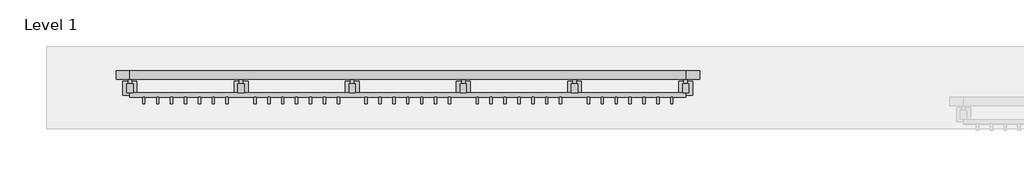
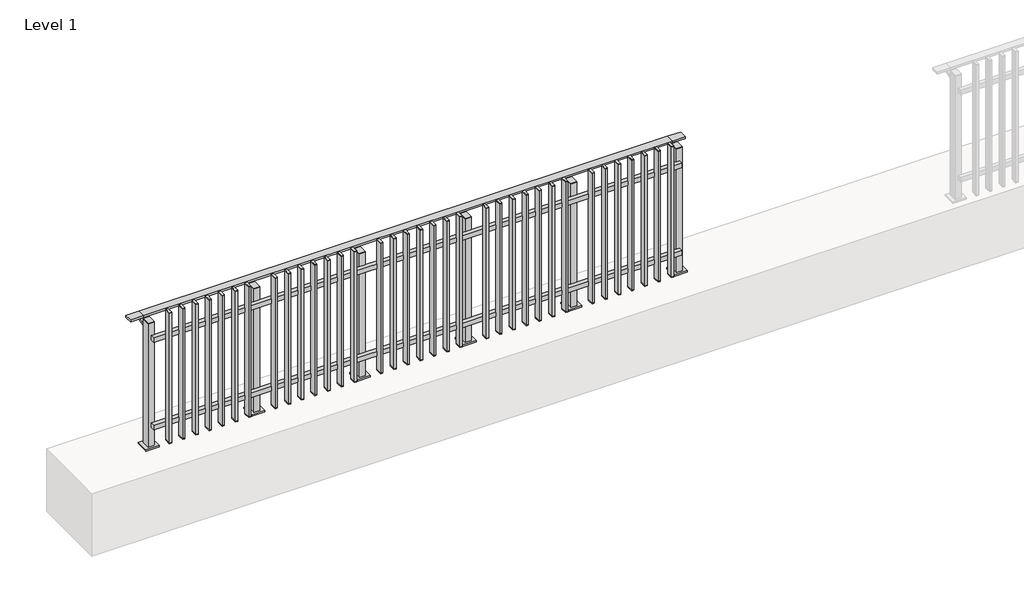
# One storey, part 7 of 17: 1 railing.
"""IFC4 building model written with IfcOpenShell, lengths in millimetres."""

from ifc_helpers import new_model, si_unit, point, frame, frame_2d, origin, origin_with_axes, place, context, project, spatial, polyline, circle_curve, trimmed, segment, composite_curve, outline, extrude, faceted_brep, element, save

model = new_model("IFC4")

# Units and contexts
model_context = context("Model", 3, world=origin())
ifc_project = project(units=[si_unit("LENGTHUNIT", "METRE", prefix="MILLI")], contexts=[model_context])

# Site, building, storey
site = spatial("IfcSite", under=ifc_project)
building = spatial("IfcBuilding", under=site)
storey = spatial("IfcBuildingStorey", under=building, Name="Level 1", Elevation=0.0)

# Railing
placement = place(None, origin())
element("IfcRailing", 1, at=placement, inside=storey, context=model_context, shape_type="SolidModel", body=[
    faceted_brep([(0.0, 7815.1846828, 985.0), (0.0, 7815.1846828, 1000.0), (4000.0, 7815.1846828, 1000.0), (4000.0, 7815.1846828, 985.0), (0.0, 7755.1846828, 985.0), (4000.0, 7755.1846828, 985.0), (0.0, 7755.1846828, 1000.0), (4000.0, 7755.1846828, 1000.0), (-100.0, 7815.1846828, 1000.0), (-100.0, 7815.1846828, 985.0), (-100.0, 7755.1846828, 985.0), (-100.0, 7755.1846828, 1000.0), (4100.0, 7815.1846828, 1000.0), (4100.0, 7755.1846828, 1000.0), (4100.0, 7755.1846828, 985.0), (4100.0, 7815.1846828, 985.0)], [[[0, 1, 2, 3]], [[4, 0, 3, 5]], [[6, 4, 5, 7]], [[1, 6, 7, 2]], [[8, 9, 10, 11]], [[9, 8, 1, 0]], [[10, 9, 0, 4]], [[11, 10, 4, 6]], [[8, 11, 6, 1]], [[12, 13, 14, 15]], [[3, 2, 12, 15]], [[5, 3, 15, 14]], [[7, 5, 14, 13]], [[2, 7, 13, 12]]]),
    extrude(outline(polyline([(0.0, 7625.6846828), (0.0, 7657.6846828), (4000.0, 7657.6846828), (4000.0, 7625.6846828), (0.0, 7625.6846828)])), frame((0.0, 0.0, 164.0), z_axis=(0.0, 0.0, 1.0), x_axis=(1.0, 0.0, 0.0)), (0.0, 0.0, 1.0), 36.0),
    extrude(outline(polyline([(0.0, 7625.6846828), (0.0, 7657.6846828), (4000.0, 7657.6846828), (4000.0, 7625.6846828), (0.0, 7625.6846828)])), frame((0.0, 0.0, 864.0), z_axis=(0.0, 0.0, 1.0), x_axis=(1.0, 0.0, 0.0)), (0.0, 0.0, 1.0), 36.0),
    extrude(outline(polyline([(3908.5, 7625.6846828), (3908.5, 7576.6846828), (3891.5, 7576.6846828), (3891.5, 7625.6846828), (3908.5, 7625.6846828)])), frame((0.0, 0.0, 50.0), z_axis=(0.0, 0.0, 1.0), x_axis=(1.0, 0.0, 0.0)), (0.0, 0.0, 1.0), 5.0),
    extrude(outline(polyline([(3908.5, 7625.6846828), (3908.5, 7576.6846828), (3891.5, 7576.6846828), (3891.5, 7625.6846828), (3908.5, 7625.6846828)])), frame((0.0, 0.0, 1095.0), z_axis=(0.0, 0.0, 1.0), x_axis=(1.0, 0.0, 0.0)), (0.0, 0.0, 1.0), 5.0),
    extrude(outline(polyline([(3891.5, 7576.6846828), (3891.5, 7625.6846828), (3908.5, 7625.6846828), (3908.5, 7576.6846828), (3891.5, 7576.6846828)])), frame((0.0, 0.0, 55.0), z_axis=(0.0, 0.0, 1.0), x_axis=(1.0, 0.0, 0.0)), (0.0, 0.0, 1.0), 1040.0),
    extrude(outline(polyline([(3808.5, 7625.6846828), (3808.5, 7576.6846828), (3791.5, 7576.6846828), (3791.5, 7625.6846828), (3808.5, 7625.6846828)])), frame((0.0, 0.0, 50.0), z_axis=(0.0, 0.0, 1.0), x_axis=(1.0, 0.0, 0.0)), (0.0, 0.0, 1.0), 5.0),
    extrude(outline(polyline([(3808.5, 7625.6846828), (3808.5, 7576.6846828), (3791.5, 7576.6846828), (3791.5, 7625.6846828), (3808.5, 7625.6846828)])), frame((0.0, 0.0, 1095.0), z_axis=(0.0, 0.0, 1.0), x_axis=(1.0, 0.0, 0.0)), (0.0, 0.0, 1.0), 5.0),
    extrude(outline(polyline([(3791.5, 7576.6846828), (3791.5, 7625.6846828), (3808.5, 7625.6846828), (3808.5, 7576.6846828), (3791.5, 7576.6846828)])), frame((0.0, 0.0, 55.0), z_axis=(0.0, 0.0, 1.0), x_axis=(1.0, 0.0, 0.0)), (0.0, 0.0, 1.0), 1040.0),
    extrude(outline(polyline([(3708.5, 7625.6846828), (3708.5, 7576.6846828), (3691.5, 7576.6846828), (3691.5, 7625.6846828), (3708.5, 7625.6846828)])), frame((0.0, 0.0, 50.0), z_axis=(0.0, 0.0, 1.0), x_axis=(1.0, 0.0, 0.0)), (0.0, 0.0, 1.0), 5.0),
    extrude(outline(polyline([(3708.5, 7625.6846828), (3708.5, 7576.6846828), (3691.5, 7576.6846828), (3691.5, 7625.6846828), (3708.5, 7625.6846828)])), frame((0.0, 0.0, 1095.0), z_axis=(0.0, 0.0, 1.0), x_axis=(1.0, 0.0, 0.0)), (0.0, 0.0, 1.0), 5.0),
    extrude(outline(polyline([(3691.5, 7576.6846828), (3691.5, 7625.6846828), (3708.5, 7625.6846828), (3708.5, 7576.6846828), (3691.5, 7576.6846828)])), frame((0.0, 0.0, 55.0), z_axis=(0.0, 0.0, 1.0), x_axis=(1.0, 0.0, 0.0)), (0.0, 0.0, 1.0), 1040.0),
    extrude(outline(polyline([(3608.5, 7625.6846828), (3608.5, 7576.6846828), (3591.5, 7576.6846828), (3591.5, 7625.6846828), (3608.5, 7625.6846828)])), frame((0.0, 0.0, 50.0), z_axis=(0.0, 0.0, 1.0), x_axis=(1.0, 0.0, 0.0)), (0.0, 0.0, 1.0), 5.0),
    extrude(outline(polyline([(3608.5, 7625.6846828), (3608.5, 7576.6846828), (3591.5, 7576.6846828), (3591.5, 7625.6846828), (3608.5, 7625.6846828)])), frame((0.0, 0.0, 1095.0), z_axis=(0.0, 0.0, 1.0), x_axis=(1.0, 0.0, 0.0)), (0.0, 0.0, 1.0), 5.0),
    extrude(outline(polyline([(3591.5, 7576.6846828), (3591.5, 7625.6846828), (3608.5, 7625.6846828), (3608.5, 7576.6846828), (3591.5, 7576.6846828)])), frame((0.0, 0.0, 55.0), z_axis=(0.0, 0.0, 1.0), x_axis=(1.0, 0.0, 0.0)), (0.0, 0.0, 1.0), 1040.0),
    extrude(outline(polyline([(3508.5, 7625.6846828), (3508.5, 7576.6846828), (3491.5, 7576.6846828), (3491.5, 7625.6846828), (3508.5, 7625.6846828)])), frame((0.0, 0.0, 50.0), z_axis=(0.0, 0.0, 1.0), x_axis=(1.0, 0.0, 0.0)), (0.0, 0.0, 1.0), 5.0),
    extrude(outline(polyline([(3508.5, 7625.6846828), (3508.5, 7576.6846828), (3491.5, 7576.6846828), (3491.5, 7625.6846828), (3508.5, 7625.6846828)])), frame((0.0, 0.0, 1095.0), z_axis=(0.0, 0.0, 1.0), x_axis=(1.0, 0.0, 0.0)), (0.0, 0.0, 1.0), 5.0),
    extrude(outline(polyline([(3491.5, 7576.6846828), (3491.5, 7625.6846828), (3508.5, 7625.6846828), (3508.5, 7576.6846828), (3491.5, 7576.6846828)])), frame((0.0, 0.0, 55.0), z_axis=(0.0, 0.0, 1.0), x_axis=(1.0, 0.0, 0.0)), (0.0, 0.0, 1.0), 1040.0),
    extrude(outline(polyline([(3408.5, 7625.6846828), (3408.5, 7576.6846828), (3391.5, 7576.6846828), (3391.5, 7625.6846828), (3408.5, 7625.6846828)])), frame((0.0, 0.0, 50.0), z_axis=(0.0, 0.0, 1.0), x_axis=(1.0, 0.0, 0.0)), (0.0, 0.0, 1.0), 5.0),
    extrude(outline(polyline([(3408.5, 7625.6846828), (3408.5, 7576.6846828), (3391.5, 7576.6846828), (3391.5, 7625.6846828), (3408.5, 7625.6846828)])), frame((0.0, 0.0, 1095.0), z_axis=(0.0, 0.0, 1.0), x_axis=(1.0, 0.0, 0.0)), (0.0, 0.0, 1.0), 5.0),
    extrude(outline(polyline([(3391.5, 7576.6846828), (3391.5, 7625.6846828), (3408.5, 7625.6846828), (3408.5, 7576.6846828), (3391.5, 7576.6846828)])), frame((0.0, 0.0, 55.0), z_axis=(0.0, 0.0, 1.0), x_axis=(1.0, 0.0, 0.0)), (0.0, 0.0, 1.0), 1040.0),
    extrude(outline(polyline([(3308.5, 7625.6846828), (3308.5, 7576.6846828), (3291.5, 7576.6846828), (3291.5, 7625.6846828), (3308.5, 7625.6846828)])), frame((0.0, 0.0, 50.0), z_axis=(0.0, 0.0, 1.0), x_axis=(1.0, 0.0, 0.0)), (0.0, 0.0, 1.0), 5.0),
    extrude(outline(polyline([(3308.5, 7625.6846828), (3308.5, 7576.6846828), (3291.5, 7576.6846828), (3291.5, 7625.6846828), (3308.5, 7625.6846828)])), frame((0.0, 0.0, 1095.0), z_axis=(0.0, 0.0, 1.0), x_axis=(1.0, 0.0, 0.0)), (0.0, 0.0, 1.0), 5.0),
    extrude(outline(polyline([(3291.5, 7576.6846828), (3291.5, 7625.6846828), (3308.5, 7625.6846828), (3308.5, 7576.6846828), (3291.5, 7576.6846828)])), frame((0.0, 0.0, 55.0), z_axis=(0.0, 0.0, 1.0), x_axis=(1.0, 0.0, 0.0)), (0.0, 0.0, 1.0), 1040.0),
    extrude(outline(composite_curve([segment(polyline([(7810.6846828, 985.0), (7810.6846828, 960.900037)]), True, "CONTINUOUS"), segment(trimmed(circle_curve(frame_2d((7800.6846828, 960.900037)), 10.0), [point((7810.6846828, 960.900037))], [point((7803.2728733, 951.2407787))], False, "CARTESIAN"), True, "CONTINUOUS"), segment(polyline([(7803.2728733, 951.2407787), (7746.2244733, 935.9547061)]), True, "CONTINUOUS"), segment(trimmed(circle_curve(frame_2d((7748.8126638, 926.2954478)), 10.0), [point((7746.2244733, 935.9547061))], [point((7738.8982152, 927.6007097))], True, "CARTESIAN"), True, "CONTINUOUS"), segment(polyline([(7738.8982152, 927.6007097), (7734.291393, 892.6084214)]), True, "CONTINUOUS"), segment(trimmed(circle_curve(frame_2d((7731.3170584, 893.0)), 3.0), [point((7734.291393, 892.6084214))], [point((7731.3170584, 890.0))], False, "CARTESIAN"), True, "CONTINUOUS"), segment(polyline([(7731.3170584, 890.0), (7722.6846828, 890.0), (7722.6846828, 940.0), (7786.6846828, 957.1487483), (7786.6846828, 985.0), (7810.6846828, 985.0)]), True, "CONTINUOUS")], self_intersect=False)), frame((3187.5, 0.0, 0.0), z_axis=(1.0, 0.0, 0.0), x_axis=(0.0, 1.0, 0.0)), (0.0, 0.0, 1.0), 25.0),
    extrude(outline(polyline([(3222.5, 7722.6846828), (3222.5, 7657.6846828), (3177.5, 7657.6846828), (3177.5, 7722.6846828), (3222.5, 7722.6846828)])), frame((0.0, 0.0, 1000.0), z_axis=(0.0, 0.0, 1.0), x_axis=(1.0, 0.0, 0.0)), (0.0, 0.0, 1.0), 5.0),
    extrude(outline(polyline([(3250.0, 7740.1846828), (3250.0, 7640.1846828), (3150.0, 7640.1846828), (3150.0, 7740.1846828), (3250.0, 7740.1846828)])), origin_with_axes(), (0.0, 0.0, 1.0), 12.0),
    extrude(outline(polyline([(3222.5, 7722.6846828), (3222.5, 7657.6846828), (3177.5, 7657.6846828), (3177.5, 7722.6846828), (3222.5, 7722.6846828)])), frame((0.0, 0.0, 12.0), z_axis=(0.0, 0.0, 1.0), x_axis=(1.0, 0.0, 0.0)), (0.0, 0.0, 1.0), 988.0),
    extrude(outline(polyline([(3108.5, 7625.6846828), (3108.5, 7576.6846828), (3091.5, 7576.6846828), (3091.5, 7625.6846828), (3108.5, 7625.6846828)])), frame((0.0, 0.0, 50.0), z_axis=(0.0, 0.0, 1.0), x_axis=(1.0, 0.0, 0.0)), (0.0, 0.0, 1.0), 5.0),
    extrude(outline(polyline([(3108.5, 7625.6846828), (3108.5, 7576.6846828), (3091.5, 7576.6846828), (3091.5, 7625.6846828), (3108.5, 7625.6846828)])), frame((0.0, 0.0, 1095.0), z_axis=(0.0, 0.0, 1.0), x_axis=(1.0, 0.0, 0.0)), (0.0, 0.0, 1.0), 5.0),
    extrude(outline(polyline([(3091.5, 7576.6846828), (3091.5, 7625.6846828), (3108.5, 7625.6846828), (3108.5, 7576.6846828), (3091.5, 7576.6846828)])), frame((0.0, 0.0, 55.0), z_axis=(0.0, 0.0, 1.0), x_axis=(1.0, 0.0, 0.0)), (0.0, 0.0, 1.0), 1040.0),
    extrude(outline(polyline([(3008.5, 7625.6846828), (3008.5, 7576.6846828), (2991.5, 7576.6846828), (2991.5, 7625.6846828), (3008.5, 7625.6846828)])), frame((0.0, 0.0, 50.0), z_axis=(0.0, 0.0, 1.0), x_axis=(1.0, 0.0, 0.0)), (0.0, 0.0, 1.0), 5.0),
    extrude(outline(polyline([(3008.5, 7625.6846828), (3008.5, 7576.6846828), (2991.5, 7576.6846828), (2991.5, 7625.6846828), (3008.5, 7625.6846828)])), frame((0.0, 0.0, 1095.0), z_axis=(0.0, 0.0, 1.0), x_axis=(1.0, 0.0, 0.0)), (0.0, 0.0, 1.0), 5.0),
    extrude(outline(polyline([(2991.5, 7576.6846828), (2991.5, 7625.6846828), (3008.5, 7625.6846828), (3008.5, 7576.6846828), (2991.5, 7576.6846828)])), frame((0.0, 0.0, 55.0), z_axis=(0.0, 0.0, 1.0), x_axis=(1.0, 0.0, 0.0)), (0.0, 0.0, 1.0), 1040.0),
    extrude(outline(polyline([(2908.5, 7625.6846828), (2908.5, 7576.6846828), (2891.5, 7576.6846828), (2891.5, 7625.6846828), (2908.5, 7625.6846828)])), frame((0.0, 0.0, 50.0), z_axis=(0.0, 0.0, 1.0), x_axis=(1.0, 0.0, 0.0)), (0.0, 0.0, 1.0), 5.0),
    extrude(outline(polyline([(2908.5, 7625.6846828), (2908.5, 7576.6846828), (2891.5, 7576.6846828), (2891.5, 7625.6846828), (2908.5, 7625.6846828)])), frame((0.0, 0.0, 1095.0), z_axis=(0.0, 0.0, 1.0), x_axis=(1.0, 0.0, 0.0)), (0.0, 0.0, 1.0), 5.0),
    extrude(outline(polyline([(2891.5, 7576.6846828), (2891.5, 7625.6846828), (2908.5, 7625.6846828), (2908.5, 7576.6846828), (2891.5, 7576.6846828)])), frame((0.0, 0.0, 55.0), z_axis=(0.0, 0.0, 1.0), x_axis=(1.0, 0.0, 0.0)), (0.0, 0.0, 1.0), 1040.0),
    extrude(outline(polyline([(2808.5, 7625.6846828), (2808.5, 7576.6846828), (2791.5, 7576.6846828), (2791.5, 7625.6846828), (2808.5, 7625.6846828)])), frame((0.0, 0.0, 50.0), z_axis=(0.0, 0.0, 1.0), x_axis=(1.0, 0.0, 0.0)), (0.0, 0.0, 1.0), 5.0),
    extrude(outline(polyline([(2808.5, 7625.6846828), (2808.5, 7576.6846828), (2791.5, 7576.6846828), (2791.5, 7625.6846828), (2808.5, 7625.6846828)])), frame((0.0, 0.0, 1095.0), z_axis=(0.0, 0.0, 1.0), x_axis=(1.0, 0.0, 0.0)), (0.0, 0.0, 1.0), 5.0),
    extrude(outline(polyline([(2791.5, 7576.6846828), (2791.5, 7625.6846828), (2808.5, 7625.6846828), (2808.5, 7576.6846828), (2791.5, 7576.6846828)])), frame((0.0, 0.0, 55.0), z_axis=(0.0, 0.0, 1.0), x_axis=(1.0, 0.0, 0.0)), (0.0, 0.0, 1.0), 1040.0),
    extrude(outline(polyline([(2708.5, 7625.6846828), (2708.5, 7576.6846828), (2691.5, 7576.6846828), (2691.5, 7625.6846828), (2708.5, 7625.6846828)])), frame((0.0, 0.0, 50.0), z_axis=(0.0, 0.0, 1.0), x_axis=(1.0, 0.0, 0.0)), (0.0, 0.0, 1.0), 5.0),
    extrude(outline(polyline([(2708.5, 7625.6846828), (2708.5, 7576.6846828), (2691.5, 7576.6846828), (2691.5, 7625.6846828), (2708.5, 7625.6846828)])), frame((0.0, 0.0, 1095.0), z_axis=(0.0, 0.0, 1.0), x_axis=(1.0, 0.0, 0.0)), (0.0, 0.0, 1.0), 5.0),
    extrude(outline(polyline([(2691.5, 7576.6846828), (2691.5, 7625.6846828), (2708.5, 7625.6846828), (2708.5, 7576.6846828), (2691.5, 7576.6846828)])), frame((0.0, 0.0, 55.0), z_axis=(0.0, 0.0, 1.0), x_axis=(1.0, 0.0, 0.0)), (0.0, 0.0, 1.0), 1040.0),
    extrude(outline(polyline([(2608.5, 7625.6846828), (2608.5, 7576.6846828), (2591.5, 7576.6846828), (2591.5, 7625.6846828), (2608.5, 7625.6846828)])), frame((0.0, 0.0, 50.0), z_axis=(0.0, 0.0, 1.0), x_axis=(1.0, 0.0, 0.0)), (0.0, 0.0, 1.0), 5.0),
    extrude(outline(polyline([(2608.5, 7625.6846828), (2608.5, 7576.6846828), (2591.5, 7576.6846828), (2591.5, 7625.6846828), (2608.5, 7625.6846828)])), frame((0.0, 0.0, 1095.0), z_axis=(0.0, 0.0, 1.0), x_axis=(1.0, 0.0, 0.0)), (0.0, 0.0, 1.0), 5.0),
    extrude(outline(polyline([(2591.5, 7576.6846828), (2591.5, 7625.6846828), (2608.5, 7625.6846828), (2608.5, 7576.6846828), (2591.5, 7576.6846828)])), frame((0.0, 0.0, 55.0), z_axis=(0.0, 0.0, 1.0), x_axis=(1.0, 0.0, 0.0)), (0.0, 0.0, 1.0), 1040.0),
    extrude(outline(polyline([(2508.5, 7625.6846828), (2508.5, 7576.6846828), (2491.5, 7576.6846828), (2491.5, 7625.6846828), (2508.5, 7625.6846828)])), frame((0.0, 0.0, 50.0), z_axis=(0.0, 0.0, 1.0), x_axis=(1.0, 0.0, 0.0)), (0.0, 0.0, 1.0), 5.0),
    extrude(outline(polyline([(2508.5, 7625.6846828), (2508.5, 7576.6846828), (2491.5, 7576.6846828), (2491.5, 7625.6846828), (2508.5, 7625.6846828)])), frame((0.0, 0.0, 1095.0), z_axis=(0.0, 0.0, 1.0), x_axis=(1.0, 0.0, 0.0)), (0.0, 0.0, 1.0), 5.0),
    extrude(outline(polyline([(2491.5, 7576.6846828), (2491.5, 7625.6846828), (2508.5, 7625.6846828), (2508.5, 7576.6846828), (2491.5, 7576.6846828)])), frame((0.0, 0.0, 55.0), z_axis=(0.0, 0.0, 1.0), x_axis=(1.0, 0.0, 0.0)), (0.0, 0.0, 1.0), 1040.0),
    extrude(outline(composite_curve([segment(polyline([(7810.6846828, 985.0), (7810.6846828, 960.900037)]), True, "CONTINUOUS"), segment(trimmed(circle_curve(frame_2d((7800.6846828, 960.900037)), 10.0), [point((7810.6846828, 960.900037))], [point((7803.2728733, 951.2407787))], False, "CARTESIAN"), True, "CONTINUOUS"), segment(polyline([(7803.2728733, 951.2407787), (7746.2244733, 935.9547061)]), True, "CONTINUOUS"), segment(trimmed(circle_curve(frame_2d((7748.8126638, 926.2954478)), 10.0), [point((7746.2244733, 935.9547061))], [point((7738.8982152, 927.6007097))], True, "CARTESIAN"), True, "CONTINUOUS"), segment(polyline([(7738.8982152, 927.6007097), (7734.291393, 892.6084214)]), True, "CONTINUOUS"), segment(trimmed(circle_curve(frame_2d((7731.3170584, 893.0)), 3.0), [point((7734.291393, 892.6084214))], [point((7731.3170584, 890.0))], False, "CARTESIAN"), True, "CONTINUOUS"), segment(polyline([(7731.3170584, 890.0), (7722.6846828, 890.0), (7722.6846828, 940.0), (7786.6846828, 957.1487483), (7786.6846828, 985.0), (7810.6846828, 985.0)]), True, "CONTINUOUS")], self_intersect=False)), frame((2387.5, 0.0, 0.0), z_axis=(1.0, 0.0, 0.0), x_axis=(0.0, 1.0, 0.0)), (0.0, 0.0, 1.0), 25.0),
    extrude(outline(polyline([(2422.5, 7722.6846828), (2422.5, 7657.6846828), (2377.5, 7657.6846828), (2377.5, 7722.6846828), (2422.5, 7722.6846828)])), frame((0.0, 0.0, 1000.0), z_axis=(0.0, 0.0, 1.0), x_axis=(1.0, 0.0, 0.0)), (0.0, 0.0, 1.0), 5.0),
    extrude(outline(polyline([(2450.0, 7740.1846828), (2450.0, 7640.1846828), (2350.0, 7640.1846828), (2350.0, 7740.1846828), (2450.0, 7740.1846828)])), origin_with_axes(), (0.0, 0.0, 1.0), 12.0),
    extrude(outline(polyline([(2422.5, 7722.6846828), (2422.5, 7657.6846828), (2377.5, 7657.6846828), (2377.5, 7722.6846828), (2422.5, 7722.6846828)])), frame((0.0, 0.0, 12.0), z_axis=(0.0, 0.0, 1.0), x_axis=(1.0, 0.0, 0.0)), (0.0, 0.0, 1.0), 988.0),
    extrude(outline(polyline([(2308.5, 7625.6846828), (2308.5, 7576.6846828), (2291.5, 7576.6846828), (2291.5, 7625.6846828), (2308.5, 7625.6846828)])), frame((0.0, 0.0, 50.0), z_axis=(0.0, 0.0, 1.0), x_axis=(1.0, 0.0, 0.0)), (0.0, 0.0, 1.0), 5.0),
    extrude(outline(polyline([(2308.5, 7625.6846828), (2308.5, 7576.6846828), (2291.5, 7576.6846828), (2291.5, 7625.6846828), (2308.5, 7625.6846828)])), frame((0.0, 0.0, 1095.0), z_axis=(0.0, 0.0, 1.0), x_axis=(1.0, 0.0, 0.0)), (0.0, 0.0, 1.0), 5.0),
    extrude(outline(polyline([(2291.5, 7576.6846828), (2291.5, 7625.6846828), (2308.5, 7625.6846828), (2308.5, 7576.6846828), (2291.5, 7576.6846828)])), frame((0.0, 0.0, 55.0), z_axis=(0.0, 0.0, 1.0), x_axis=(1.0, 0.0, 0.0)), (0.0, 0.0, 1.0), 1040.0),
    extrude(outline(polyline([(2208.5, 7625.6846828), (2208.5, 7576.6846828), (2191.5, 7576.6846828), (2191.5, 7625.6846828), (2208.5, 7625.6846828)])), frame((0.0, 0.0, 50.0), z_axis=(0.0, 0.0, 1.0), x_axis=(1.0, 0.0, 0.0)), (0.0, 0.0, 1.0), 5.0),
    extrude(outline(polyline([(2208.5, 7625.6846828), (2208.5, 7576.6846828), (2191.5, 7576.6846828), (2191.5, 7625.6846828), (2208.5, 7625.6846828)])), frame((0.0, 0.0, 1095.0), z_axis=(0.0, 0.0, 1.0), x_axis=(1.0, 0.0, 0.0)), (0.0, 0.0, 1.0), 5.0),
    extrude(outline(polyline([(2191.5, 7576.6846828), (2191.5, 7625.6846828), (2208.5, 7625.6846828), (2208.5, 7576.6846828), (2191.5, 7576.6846828)])), frame((0.0, 0.0, 55.0), z_axis=(0.0, 0.0, 1.0), x_axis=(1.0, 0.0, 0.0)), (0.0, 0.0, 1.0), 1040.0),
    extrude(outline(polyline([(2108.5, 7625.6846828), (2108.5, 7576.6846828), (2091.5, 7576.6846828), (2091.5, 7625.6846828), (2108.5, 7625.6846828)])), frame((0.0, 0.0, 50.0), z_axis=(0.0, 0.0, 1.0), x_axis=(1.0, 0.0, 0.0)), (0.0, 0.0, 1.0), 5.0),
    extrude(outline(polyline([(2108.5, 7625.6846828), (2108.5, 7576.6846828), (2091.5, 7576.6846828), (2091.5, 7625.6846828), (2108.5, 7625.6846828)])), frame((0.0, 0.0, 1095.0), z_axis=(0.0, 0.0, 1.0), x_axis=(1.0, 0.0, 0.0)), (0.0, 0.0, 1.0), 5.0),
    extrude(outline(polyline([(2091.5, 7576.6846828), (2091.5, 7625.6846828), (2108.5, 7625.6846828), (2108.5, 7576.6846828), (2091.5, 7576.6846828)])), frame((0.0, 0.0, 55.0), z_axis=(0.0, 0.0, 1.0), x_axis=(1.0, 0.0, 0.0)), (0.0, 0.0, 1.0), 1040.0),
    extrude(outline(polyline([(2008.5, 7625.6846828), (2008.5, 7576.6846828), (1991.5, 7576.6846828), (1991.5, 7625.6846828), (2008.5, 7625.6846828)])), frame((0.0, 0.0, 50.0), z_axis=(0.0, 0.0, 1.0), x_axis=(1.0, 0.0, 0.0)), (0.0, 0.0, 1.0), 5.0),
    extrude(outline(polyline([(2008.5, 7625.6846828), (2008.5, 7576.6846828), (1991.5, 7576.6846828), (1991.5, 7625.6846828), (2008.5, 7625.6846828)])), frame((0.0, 0.0, 1095.0), z_axis=(0.0, 0.0, 1.0), x_axis=(1.0, 0.0, 0.0)), (0.0, 0.0, 1.0), 5.0),
    extrude(outline(polyline([(1991.5, 7576.6846828), (1991.5, 7625.6846828), (2008.5, 7625.6846828), (2008.5, 7576.6846828), (1991.5, 7576.6846828)])), frame((0.0, 0.0, 55.0), z_axis=(0.0, 0.0, 1.0), x_axis=(1.0, 0.0, 0.0)), (0.0, 0.0, 1.0), 1040.0),
    extrude(outline(polyline([(1908.5, 7625.6846828), (1908.5, 7576.6846828), (1891.5, 7576.6846828), (1891.5, 7625.6846828), (1908.5, 7625.6846828)])), frame((0.0, 0.0, 50.0), z_axis=(0.0, 0.0, 1.0), x_axis=(1.0, 0.0, 0.0)), (0.0, 0.0, 1.0), 5.0),
    extrude(outline(polyline([(1908.5, 7625.6846828), (1908.5, 7576.6846828), (1891.5, 7576.6846828), (1891.5, 7625.6846828), (1908.5, 7625.6846828)])), frame((0.0, 0.0, 1095.0), z_axis=(0.0, 0.0, 1.0), x_axis=(1.0, 0.0, 0.0)), (0.0, 0.0, 1.0), 5.0),
    extrude(outline(polyline([(1891.5, 7576.6846828), (1891.5, 7625.6846828), (1908.5, 7625.6846828), (1908.5, 7576.6846828), (1891.5, 7576.6846828)])), frame((0.0, 0.0, 55.0), z_axis=(0.0, 0.0, 1.0), x_axis=(1.0, 0.0, 0.0)), (0.0, 0.0, 1.0), 1040.0),
    extrude(outline(polyline([(1808.5, 7625.6846828), (1808.5, 7576.6846828), (1791.5, 7576.6846828), (1791.5, 7625.6846828), (1808.5, 7625.6846828)])), frame((0.0, 0.0, 50.0), z_axis=(0.0, 0.0, 1.0), x_axis=(1.0, 0.0, 0.0)), (0.0, 0.0, 1.0), 5.0),
    extrude(outline(polyline([(1808.5, 7625.6846828), (1808.5, 7576.6846828), (1791.5, 7576.6846828), (1791.5, 7625.6846828), (1808.5, 7625.6846828)])), frame((0.0, 0.0, 1095.0), z_axis=(0.0, 0.0, 1.0), x_axis=(1.0, 0.0, 0.0)), (0.0, 0.0, 1.0), 5.0),
    extrude(outline(polyline([(1791.5, 7576.6846828), (1791.5, 7625.6846828), (1808.5, 7625.6846828), (1808.5, 7576.6846828), (1791.5, 7576.6846828)])), frame((0.0, 0.0, 55.0), z_axis=(0.0, 0.0, 1.0), x_axis=(1.0, 0.0, 0.0)), (0.0, 0.0, 1.0), 1040.0),
    extrude(outline(polyline([(1708.5, 7625.6846828), (1708.5, 7576.6846828), (1691.5, 7576.6846828), (1691.5, 7625.6846828), (1708.5, 7625.6846828)])), frame((0.0, 0.0, 50.0), z_axis=(0.0, 0.0, 1.0), x_axis=(1.0, 0.0, 0.0)), (0.0, 0.0, 1.0), 5.0),
    extrude(outline(polyline([(1708.5, 7625.6846828), (1708.5, 7576.6846828), (1691.5, 7576.6846828), (1691.5, 7625.6846828), (1708.5, 7625.6846828)])), frame((0.0, 0.0, 1095.0), z_axis=(0.0, 0.0, 1.0), x_axis=(1.0, 0.0, 0.0)), (0.0, 0.0, 1.0), 5.0),
    extrude(outline(polyline([(1691.5, 7576.6846828), (1691.5, 7625.6846828), (1708.5, 7625.6846828), (1708.5, 7576.6846828), (1691.5, 7576.6846828)])), frame((0.0, 0.0, 55.0), z_axis=(0.0, 0.0, 1.0), x_axis=(1.0, 0.0, 0.0)), (0.0, 0.0, 1.0), 1040.0),
    extrude(outline(composite_curve([segment(polyline([(7810.6846828, 985.0), (7810.6846828, 960.900037)]), True, "CONTINUOUS"), segment(trimmed(circle_curve(frame_2d((7800.6846828, 960.900037)), 10.0), [point((7810.6846828, 960.900037))], [point((7803.2728733, 951.2407787))], False, "CARTESIAN"), True, "CONTINUOUS"), segment(polyline([(7803.2728733, 951.2407787), (7746.2244733, 935.9547061)]), True, "CONTINUOUS"), segment(trimmed(circle_curve(frame_2d((7748.8126638, 926.2954478)), 10.0), [point((7746.2244733, 935.9547061))], [point((7738.8982152, 927.6007097))], True, "CARTESIAN"), True, "CONTINUOUS"), segment(polyline([(7738.8982152, 927.6007097), (7734.291393, 892.6084214)]), True, "CONTINUOUS"), segment(trimmed(circle_curve(frame_2d((7731.3170584, 893.0)), 3.0), [point((7734.291393, 892.6084214))], [point((7731.3170584, 890.0))], False, "CARTESIAN"), True, "CONTINUOUS"), segment(polyline([(7731.3170584, 890.0), (7722.6846828, 890.0), (7722.6846828, 940.0), (7786.6846828, 957.1487483), (7786.6846828, 985.0), (7810.6846828, 985.0)]), True, "CONTINUOUS")], self_intersect=False)), frame((1587.5, 0.0, 0.0), z_axis=(1.0, 0.0, 0.0), x_axis=(0.0, 1.0, 0.0)), (0.0, 0.0, 1.0), 25.0),
    extrude(outline(polyline([(1622.5, 7722.6846828), (1622.5, 7657.6846828), (1577.5, 7657.6846828), (1577.5, 7722.6846828), (1622.5, 7722.6846828)])), frame((0.0, 0.0, 1000.0), z_axis=(0.0, 0.0, 1.0), x_axis=(1.0, 0.0, 0.0)), (0.0, 0.0, 1.0), 5.0),
    extrude(outline(polyline([(1650.0, 7740.1846828), (1650.0, 7640.1846828), (1550.0, 7640.1846828), (1550.0, 7740.1846828), (1650.0, 7740.1846828)])), origin_with_axes(), (0.0, 0.0, 1.0), 12.0),
    extrude(outline(polyline([(1622.5, 7722.6846828), (1622.5, 7657.6846828), (1577.5, 7657.6846828), (1577.5, 7722.6846828), (1622.5, 7722.6846828)])), frame((0.0, 0.0, 12.0), z_axis=(0.0, 0.0, 1.0), x_axis=(1.0, 0.0, 0.0)), (0.0, 0.0, 1.0), 988.0),
    extrude(outline(polyline([(1508.5, 7625.6846828), (1508.5, 7576.6846828), (1491.5, 7576.6846828), (1491.5, 7625.6846828), (1508.5, 7625.6846828)])), frame((0.0, 0.0, 50.0), z_axis=(0.0, 0.0, 1.0), x_axis=(1.0, 0.0, 0.0)), (0.0, 0.0, 1.0), 5.0),
    extrude(outline(polyline([(1508.5, 7625.6846828), (1508.5, 7576.6846828), (1491.5, 7576.6846828), (1491.5, 7625.6846828), (1508.5, 7625.6846828)])), frame((0.0, 0.0, 1095.0), z_axis=(0.0, 0.0, 1.0), x_axis=(1.0, 0.0, 0.0)), (0.0, 0.0, 1.0), 5.0),
    extrude(outline(polyline([(1491.5, 7576.6846828), (1491.5, 7625.6846828), (1508.5, 7625.6846828), (1508.5, 7576.6846828), (1491.5, 7576.6846828)])), frame((0.0, 0.0, 55.0), z_axis=(0.0, 0.0, 1.0), x_axis=(1.0, 0.0, 0.0)), (0.0, 0.0, 1.0), 1040.0),
    extrude(outline(polyline([(1408.5, 7625.6846828), (1408.5, 7576.6846828), (1391.5, 7576.6846828), (1391.5, 7625.6846828), (1408.5, 7625.6846828)])), frame((0.0, 0.0, 50.0), z_axis=(0.0, 0.0, 1.0), x_axis=(1.0, 0.0, 0.0)), (0.0, 0.0, 1.0), 5.0),
    extrude(outline(polyline([(1408.5, 7625.6846828), (1408.5, 7576.6846828), (1391.5, 7576.6846828), (1391.5, 7625.6846828), (1408.5, 7625.6846828)])), frame((0.0, 0.0, 1095.0), z_axis=(0.0, 0.0, 1.0), x_axis=(1.0, 0.0, 0.0)), (0.0, 0.0, 1.0), 5.0),
    extrude(outline(polyline([(1391.5, 7576.6846828), (1391.5, 7625.6846828), (1408.5, 7625.6846828), (1408.5, 7576.6846828), (1391.5, 7576.6846828)])), frame((0.0, 0.0, 55.0), z_axis=(0.0, 0.0, 1.0), x_axis=(1.0, 0.0, 0.0)), (0.0, 0.0, 1.0), 1040.0),
    extrude(outline(polyline([(1308.5, 7625.6846828), (1308.5, 7576.6846828), (1291.5, 7576.6846828), (1291.5, 7625.6846828), (1308.5, 7625.6846828)])), frame((0.0, 0.0, 50.0), z_axis=(0.0, 0.0, 1.0), x_axis=(1.0, 0.0, 0.0)), (0.0, 0.0, 1.0), 5.0),
    extrude(outline(polyline([(1308.5, 7625.6846828), (1308.5, 7576.6846828), (1291.5, 7576.6846828), (1291.5, 7625.6846828), (1308.5, 7625.6846828)])), frame((0.0, 0.0, 1095.0), z_axis=(0.0, 0.0, 1.0), x_axis=(1.0, 0.0, 0.0)), (0.0, 0.0, 1.0), 5.0),
    extrude(outline(polyline([(1291.5, 7576.6846828), (1291.5, 7625.6846828), (1308.5, 7625.6846828), (1308.5, 7576.6846828), (1291.5, 7576.6846828)])), frame((0.0, 0.0, 55.0), z_axis=(0.0, 0.0, 1.0), x_axis=(1.0, 0.0, 0.0)), (0.0, 0.0, 1.0), 1040.0),
    extrude(outline(polyline([(1208.5, 7625.6846828), (1208.5, 7576.6846828), (1191.5, 7576.6846828), (1191.5, 7625.6846828), (1208.5, 7625.6846828)])), frame((0.0, 0.0, 50.0), z_axis=(0.0, 0.0, 1.0), x_axis=(1.0, 0.0, 0.0)), (0.0, 0.0, 1.0), 5.0),
    extrude(outline(polyline([(1208.5, 7625.6846828), (1208.5, 7576.6846828), (1191.5, 7576.6846828), (1191.5, 7625.6846828), (1208.5, 7625.6846828)])), frame((0.0, 0.0, 1095.0), z_axis=(0.0, 0.0, 1.0), x_axis=(1.0, 0.0, 0.0)), (0.0, 0.0, 1.0), 5.0),
    extrude(outline(polyline([(1191.5, 7576.6846828), (1191.5, 7625.6846828), (1208.5, 7625.6846828), (1208.5, 7576.6846828), (1191.5, 7576.6846828)])), frame((0.0, 0.0, 55.0), z_axis=(0.0, 0.0, 1.0), x_axis=(1.0, 0.0, 0.0)), (0.0, 0.0, 1.0), 1040.0),
    extrude(outline(polyline([(1108.5, 7625.6846828), (1108.5, 7576.6846828), (1091.5, 7576.6846828), (1091.5, 7625.6846828), (1108.5, 7625.6846828)])), frame((0.0, 0.0, 50.0), z_axis=(0.0, 0.0, 1.0), x_axis=(1.0, 0.0, 0.0)), (0.0, 0.0, 1.0), 5.0),
    extrude(outline(polyline([(1108.5, 7625.6846828), (1108.5, 7576.6846828), (1091.5, 7576.6846828), (1091.5, 7625.6846828), (1108.5, 7625.6846828)])), frame((0.0, 0.0, 1095.0), z_axis=(0.0, 0.0, 1.0), x_axis=(1.0, 0.0, 0.0)), (0.0, 0.0, 1.0), 5.0),
    extrude(outline(polyline([(1091.5, 7576.6846828), (1091.5, 7625.6846828), (1108.5, 7625.6846828), (1108.5, 7576.6846828), (1091.5, 7576.6846828)])), frame((0.0, 0.0, 55.0), z_axis=(0.0, 0.0, 1.0), x_axis=(1.0, 0.0, 0.0)), (0.0, 0.0, 1.0), 1040.0),
    extrude(outline(polyline([(1008.5, 7625.6846828), (1008.5, 7576.6846828), (991.5, 7576.6846828), (991.5, 7625.6846828), (1008.5, 7625.6846828)])), frame((0.0, 0.0, 50.0), z_axis=(0.0, 0.0, 1.0), x_axis=(1.0, 0.0, 0.0)), (0.0, 0.0, 1.0), 5.0),
    extrude(outline(polyline([(1008.5, 7625.6846828), (1008.5, 7576.6846828), (991.5, 7576.6846828), (991.5, 7625.6846828), (1008.5, 7625.6846828)])), frame((0.0, 0.0, 1095.0), z_axis=(0.0, 0.0, 1.0), x_axis=(1.0, 0.0, 0.0)), (0.0, 0.0, 1.0), 5.0),
    extrude(outline(polyline([(991.5, 7576.6846828), (991.5, 7625.6846828), (1008.5, 7625.6846828), (1008.5, 7576.6846828), (991.5, 7576.6846828)])), frame((0.0, 0.0, 55.0), z_axis=(0.0, 0.0, 1.0), x_axis=(1.0, 0.0, 0.0)), (0.0, 0.0, 1.0), 1040.0),
    extrude(outline(polyline([(908.5, 7625.6846828), (908.5, 7576.6846828), (891.5, 7576.6846828), (891.5, 7625.6846828), (908.5, 7625.6846828)])), frame((0.0, 0.0, 50.0), z_axis=(0.0, 0.0, 1.0), x_axis=(1.0, 0.0, 0.0)), (0.0, 0.0, 1.0), 5.0),
    extrude(outline(polyline([(908.5, 7625.6846828), (908.5, 7576.6846828), (891.5, 7576.6846828), (891.5, 7625.6846828), (908.5, 7625.6846828)])), frame((0.0, 0.0, 1095.0), z_axis=(0.0, 0.0, 1.0), x_axis=(1.0, 0.0, 0.0)), (0.0, 0.0, 1.0), 5.0),
    extrude(outline(polyline([(891.5, 7576.6846828), (891.5, 7625.6846828), (908.5, 7625.6846828), (908.5, 7576.6846828), (891.5, 7576.6846828)])), frame((0.0, 0.0, 55.0), z_axis=(0.0, 0.0, 1.0), x_axis=(1.0, 0.0, 0.0)), (0.0, 0.0, 1.0), 1040.0),
    extrude(outline(composite_curve([segment(polyline([(7810.6846828, 985.0), (7810.6846828, 960.900037)]), True, "CONTINUOUS"), segment(trimmed(circle_curve(frame_2d((7800.6846828, 960.900037)), 10.0), [point((7810.6846828, 960.900037))], [point((7803.2728733, 951.2407787))], False, "CARTESIAN"), True, "CONTINUOUS"), segment(polyline([(7803.2728733, 951.2407787), (7746.2244733, 935.9547061)]), True, "CONTINUOUS"), segment(trimmed(circle_curve(frame_2d((7748.8126638, 926.2954478)), 10.0), [point((7746.2244733, 935.9547061))], [point((7738.8982152, 927.6007097))], True, "CARTESIAN"), True, "CONTINUOUS"), segment(polyline([(7738.8982152, 927.6007097), (7734.291393, 892.6084214)]), True, "CONTINUOUS"), segment(trimmed(circle_curve(frame_2d((7731.3170584, 893.0)), 3.0), [point((7734.291393, 892.6084214))], [point((7731.3170584, 890.0))], False, "CARTESIAN"), True, "CONTINUOUS"), segment(polyline([(7731.3170584, 890.0), (7722.6846828, 890.0), (7722.6846828, 940.0), (7786.6846828, 957.1487483), (7786.6846828, 985.0), (7810.6846828, 985.0)]), True, "CONTINUOUS")], self_intersect=False)), frame((787.5, 0.0, 0.0), z_axis=(1.0, 0.0, 0.0), x_axis=(0.0, 1.0, 0.0)), (0.0, 0.0, 1.0), 25.0),
    extrude(outline(polyline([(822.5, 7722.6846828), (822.5, 7657.6846828), (777.5, 7657.6846828), (777.5, 7722.6846828), (822.5, 7722.6846828)])), frame((0.0, 0.0, 1000.0), z_axis=(0.0, 0.0, 1.0), x_axis=(1.0, 0.0, 0.0)), (0.0, 0.0, 1.0), 5.0),
    extrude(outline(polyline([(850.0, 7740.1846828), (850.0, 7640.1846828), (750.0, 7640.1846828), (750.0, 7740.1846828), (850.0, 7740.1846828)])), origin_with_axes(), (0.0, 0.0, 1.0), 12.0),
    extrude(outline(polyline([(822.5, 7722.6846828), (822.5, 7657.6846828), (777.5, 7657.6846828), (777.5, 7722.6846828), (822.5, 7722.6846828)])), frame((0.0, 0.0, 12.0), z_axis=(0.0, 0.0, 1.0), x_axis=(1.0, 0.0, 0.0)), (0.0, 0.0, 1.0), 988.0),
    extrude(outline(polyline([(708.5, 7625.6846828), (708.5, 7576.6846828), (691.5, 7576.6846828), (691.5, 7625.6846828), (708.5, 7625.6846828)])), frame((0.0, 0.0, 50.0), z_axis=(0.0, 0.0, 1.0), x_axis=(1.0, 0.0, 0.0)), (0.0, 0.0, 1.0), 5.0),
    extrude(outline(polyline([(708.5, 7625.6846828), (708.5, 7576.6846828), (691.5, 7576.6846828), (691.5, 7625.6846828), (708.5, 7625.6846828)])), frame((0.0, 0.0, 1095.0), z_axis=(0.0, 0.0, 1.0), x_axis=(1.0, 0.0, 0.0)), (0.0, 0.0, 1.0), 5.0),
    extrude(outline(polyline([(691.5, 7576.6846828), (691.5, 7625.6846828), (708.5, 7625.6846828), (708.5, 7576.6846828), (691.5, 7576.6846828)])), frame((0.0, 0.0, 55.0), z_axis=(0.0, 0.0, 1.0), x_axis=(1.0, 0.0, 0.0)), (0.0, 0.0, 1.0), 1040.0),
    extrude(outline(polyline([(608.5, 7625.6846828), (608.5, 7576.6846828), (591.5, 7576.6846828), (591.5, 7625.6846828), (608.5, 7625.6846828)])), frame((0.0, 0.0, 50.0), z_axis=(0.0, 0.0, 1.0), x_axis=(1.0, 0.0, 0.0)), (0.0, 0.0, 1.0), 5.0),
    extrude(outline(polyline([(608.5, 7625.6846828), (608.5, 7576.6846828), (591.5, 7576.6846828), (591.5, 7625.6846828), (608.5, 7625.6846828)])), frame((0.0, 0.0, 1095.0), z_axis=(0.0, 0.0, 1.0), x_axis=(1.0, 0.0, 0.0)), (0.0, 0.0, 1.0), 5.0),
    extrude(outline(polyline([(591.5, 7576.6846828), (591.5, 7625.6846828), (608.5, 7625.6846828), (608.5, 7576.6846828), (591.5, 7576.6846828)])), frame((0.0, 0.0, 55.0), z_axis=(0.0, 0.0, 1.0), x_axis=(1.0, 0.0, 0.0)), (0.0, 0.0, 1.0), 1040.0),
    extrude(outline(polyline([(508.5, 7625.6846828), (508.5, 7576.6846828), (491.5, 7576.6846828), (491.5, 7625.6846828), (508.5, 7625.6846828)])), frame((0.0, 0.0, 50.0), z_axis=(0.0, 0.0, 1.0), x_axis=(1.0, 0.0, 0.0)), (0.0, 0.0, 1.0), 5.0),
    extrude(outline(polyline([(508.5, 7625.6846828), (508.5, 7576.6846828), (491.5, 7576.6846828), (491.5, 7625.6846828), (508.5, 7625.6846828)])), frame((0.0, 0.0, 1095.0), z_axis=(0.0, 0.0, 1.0), x_axis=(1.0, 0.0, 0.0)), (0.0, 0.0, 1.0), 5.0),
    extrude(outline(polyline([(491.5, 7576.6846828), (491.5, 7625.6846828), (508.5, 7625.6846828), (508.5, 7576.6846828), (491.5, 7576.6846828)])), frame((0.0, 0.0, 55.0), z_axis=(0.0, 0.0, 1.0), x_axis=(1.0, 0.0, 0.0)), (0.0, 0.0, 1.0), 1040.0),
    extrude(outline(polyline([(408.5, 7625.6846828), (408.5, 7576.6846828), (391.5, 7576.6846828), (391.5, 7625.6846828), (408.5, 7625.6846828)])), frame((0.0, 0.0, 50.0), z_axis=(0.0, 0.0, 1.0), x_axis=(1.0, 0.0, 0.0)), (0.0, 0.0, 1.0), 5.0),
    extrude(outline(polyline([(408.5, 7625.6846828), (408.5, 7576.6846828), (391.5, 7576.6846828), (391.5, 7625.6846828), (408.5, 7625.6846828)])), frame((0.0, 0.0, 1095.0), z_axis=(0.0, 0.0, 1.0), x_axis=(1.0, 0.0, 0.0)), (0.0, 0.0, 1.0), 5.0),
    extrude(outline(polyline([(391.5, 7576.6846828), (391.5, 7625.6846828), (408.5, 7625.6846828), (408.5, 7576.6846828), (391.5, 7576.6846828)])), frame((0.0, 0.0, 55.0), z_axis=(0.0, 0.0, 1.0), x_axis=(1.0, 0.0, 0.0)), (0.0, 0.0, 1.0), 1040.0),
    extrude(outline(polyline([(308.5, 7625.6846828), (308.5, 7576.6846828), (291.5, 7576.6846828), (291.5, 7625.6846828), (308.5, 7625.6846828)])), frame((0.0, 0.0, 50.0), z_axis=(0.0, 0.0, 1.0), x_axis=(1.0, 0.0, 0.0)), (0.0, 0.0, 1.0), 5.0),
    extrude(outline(polyline([(308.5, 7625.6846828), (308.5, 7576.6846828), (291.5, 7576.6846828), (291.5, 7625.6846828), (308.5, 7625.6846828)])), frame((0.0, 0.0, 1095.0), z_axis=(0.0, 0.0, 1.0), x_axis=(1.0, 0.0, 0.0)), (0.0, 0.0, 1.0), 5.0),
    extrude(outline(polyline([(291.5, 7576.6846828), (291.5, 7625.6846828), (308.5, 7625.6846828), (308.5, 7576.6846828), (291.5, 7576.6846828)])), frame((0.0, 0.0, 55.0), z_axis=(0.0, 0.0, 1.0), x_axis=(1.0, 0.0, 0.0)), (0.0, 0.0, 1.0), 1040.0),
    extrude(outline(polyline([(208.5, 7625.6846828), (208.5, 7576.6846828), (191.5, 7576.6846828), (191.5, 7625.6846828), (208.5, 7625.6846828)])), frame((0.0, 0.0, 50.0), z_axis=(0.0, 0.0, 1.0), x_axis=(1.0, 0.0, 0.0)), (0.0, 0.0, 1.0), 5.0),
    extrude(outline(polyline([(208.5, 7625.6846828), (208.5, 7576.6846828), (191.5, 7576.6846828), (191.5, 7625.6846828), (208.5, 7625.6846828)])), frame((0.0, 0.0, 1095.0), z_axis=(0.0, 0.0, 1.0), x_axis=(1.0, 0.0, 0.0)), (0.0, 0.0, 1.0), 5.0),
    extrude(outline(polyline([(191.5, 7576.6846828), (191.5, 7625.6846828), (208.5, 7625.6846828), (208.5, 7576.6846828), (191.5, 7576.6846828)])), frame((0.0, 0.0, 55.0), z_axis=(0.0, 0.0, 1.0), x_axis=(1.0, 0.0, 0.0)), (0.0, 0.0, 1.0), 1040.0),
    extrude(outline(polyline([(108.5, 7625.6846828), (108.5, 7576.6846828), (91.5, 7576.6846828), (91.5, 7625.6846828), (108.5, 7625.6846828)])), frame((0.0, 0.0, 50.0), z_axis=(0.0, 0.0, 1.0), x_axis=(1.0, 0.0, 0.0)), (0.0, 0.0, 1.0), 5.0),
    extrude(outline(polyline([(108.5, 7625.6846828), (108.5, 7576.6846828), (91.5, 7576.6846828), (91.5, 7625.6846828), (108.5, 7625.6846828)])), frame((0.0, 0.0, 1095.0), z_axis=(0.0, 0.0, 1.0), x_axis=(1.0, 0.0, 0.0)), (0.0, 0.0, 1.0), 5.0),
    extrude(outline(polyline([(91.5, 7576.6846828), (91.5, 7625.6846828), (108.5, 7625.6846828), (108.5, 7576.6846828), (91.5, 7576.6846828)])), frame((0.0, 0.0, 55.0), z_axis=(0.0, 0.0, 1.0), x_axis=(1.0, 0.0, 0.0)), (0.0, 0.0, 1.0), 1040.0),
    extrude(outline(composite_curve([segment(polyline([(7810.6846828, 985.0), (7810.6846828, 960.900037)]), True, "CONTINUOUS"), segment(trimmed(circle_curve(frame_2d((7800.6846828, 960.900037)), 10.0), [point((7810.6846828, 960.900037))], [point((7803.2728733, 951.2407787))], False, "CARTESIAN"), True, "CONTINUOUS"), segment(polyline([(7803.2728733, 951.2407787), (7746.2244733, 935.9547061)]), True, "CONTINUOUS"), segment(trimmed(circle_curve(frame_2d((7748.8126638, 926.2954478)), 10.0), [point((7746.2244733, 935.9547061))], [point((7738.8982152, 927.6007097))], True, "CARTESIAN"), True, "CONTINUOUS"), segment(polyline([(7738.8982152, 927.6007097), (7734.291393, 892.6084214)]), True, "CONTINUOUS"), segment(trimmed(circle_curve(frame_2d((7731.3170584, 893.0)), 3.0), [point((7734.291393, 892.6084214))], [point((7731.3170584, 890.0))], False, "CARTESIAN"), True, "CONTINUOUS"), segment(polyline([(7731.3170584, 890.0), (7722.6846828, 890.0), (7722.6846828, 940.0), (7786.6846828, 957.1487483), (7786.6846828, 985.0), (7810.6846828, 985.0)]), True, "CONTINUOUS")], self_intersect=False)), frame((3987.5, 0.0, 0.0), z_axis=(1.0, 0.0, 0.0), x_axis=(0.0, 1.0, 0.0)), (0.0, 0.0, 1.0), 25.0),
    extrude(outline(polyline([(4022.5, 7722.6846828), (4022.5, 7657.6846828), (3977.5, 7657.6846828), (3977.5, 7722.6846828), (4022.5, 7722.6846828)])), frame((0.0, 0.0, 1000.0), z_axis=(0.0, 0.0, 1.0), x_axis=(1.0, 0.0, 0.0)), (0.0, 0.0, 1.0), 5.0),
    extrude(outline(polyline([(4050.0, 7740.1846828), (4050.0, 7640.1846828), (3950.0, 7640.1846828), (3950.0, 7740.1846828), (4050.0, 7740.1846828)])), origin_with_axes(), (0.0, 0.0, 1.0), 12.0),
    extrude(outline(polyline([(4022.5, 7722.6846828), (4022.5, 7657.6846828), (3977.5, 7657.6846828), (3977.5, 7722.6846828), (4022.5, 7722.6846828)])), frame((0.0, 0.0, 12.0), z_axis=(0.0, 0.0, 1.0), x_axis=(1.0, 0.0, 0.0)), (0.0, 0.0, 1.0), 988.0),
    extrude(outline(composite_curve([segment(polyline([(7810.6846828, 985.0), (7810.6846828, 960.900037)]), True, "CONTINUOUS"), segment(trimmed(circle_curve(frame_2d((7800.6846828, 960.900037)), 10.0), [point((7810.6846828, 960.900037))], [point((7803.2728733, 951.2407787))], False, "CARTESIAN"), True, "CONTINUOUS"), segment(polyline([(7803.2728733, 951.2407787), (7746.2244733, 935.9547061)]), True, "CONTINUOUS"), segment(trimmed(circle_curve(frame_2d((7748.8126638, 926.2954478)), 10.0), [point((7746.2244733, 935.9547061))], [point((7738.8982152, 927.6007097))], True, "CARTESIAN"), True, "CONTINUOUS"), segment(polyline([(7738.8982152, 927.6007097), (7734.291393, 892.6084214)]), True, "CONTINUOUS"), segment(trimmed(circle_curve(frame_2d((7731.3170584, 893.0)), 3.0), [point((7734.291393, 892.6084214))], [point((7731.3170584, 890.0))], False, "CARTESIAN"), True, "CONTINUOUS"), segment(polyline([(7731.3170584, 890.0), (7722.6846828, 890.0), (7722.6846828, 940.0), (7786.6846828, 957.1487483), (7786.6846828, 985.0), (7810.6846828, 985.0)]), True, "CONTINUOUS")], self_intersect=False)), frame((-12.5, 0.0, 0.0), z_axis=(1.0, 0.0, 0.0), x_axis=(0.0, 1.0, 0.0)), (0.0, 0.0, 1.0), 25.0),
    extrude(outline(polyline([(22.5, 7722.6846828), (22.5, 7657.6846828), (-22.5, 7657.6846828), (-22.5, 7722.6846828), (22.5, 7722.6846828)])), frame((0.0, 0.0, 1000.0), z_axis=(0.0, 0.0, 1.0), x_axis=(1.0, 0.0, 0.0)), (0.0, 0.0, 1.0), 5.0),
    extrude(outline(polyline([(50.0, 7740.1846828), (50.0, 7640.1846828), (-50.0, 7640.1846828), (-50.0, 7740.1846828), (50.0, 7740.1846828)])), origin_with_axes(), (0.0, 0.0, 1.0), 12.0),
    extrude(outline(polyline([(22.5, 7722.6846828), (22.5, 7657.6846828), (-22.5, 7657.6846828), (-22.5, 7722.6846828), (22.5, 7722.6846828)])), frame((0.0, 0.0, 12.0), z_axis=(0.0, 0.0, 1.0), x_axis=(1.0, 0.0, 0.0)), (0.0, 0.0, 1.0), 988.0),
])

save(model, "model.ifc")
